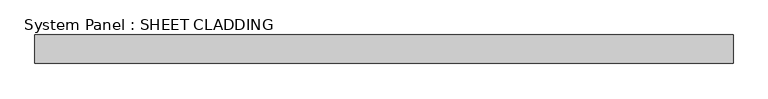
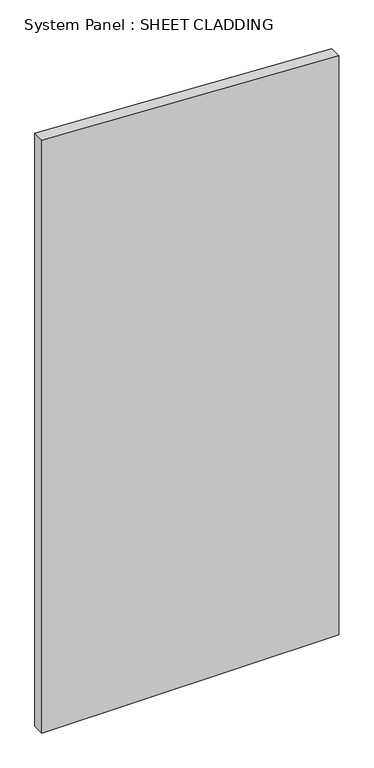
"""IFC4 building model written with IfcOpenShell, lengths in millimetres: plate geometry, System Panel : SHEET CLADDING."""

from ifc_helpers import new_model, si_unit, frame, origin, place, context, project, spatial, polyline, outline, extrude, source, transform, mapped, element, save


def system_panel_sheet_cladding_bf7185a6(model_context):
    return source(origin(), model_context, "Body", "SweptSolid", [
        extrude(outline(polyline([(0.0, -735.4591838), (0.0, 735.4591838), (3031.35, 735.4591838), (3104.8959184, -735.4591838), (0.0, -735.4591838)])), frame((0.0, -10.5, 0.0), z_axis=(0.0, 1.0, 0.0), x_axis=(0.0, 0.0, 1.0)), (0.0, 0.0, 1.0), 60.0),
    ])


if __name__ == "__main__":
    model = new_model("IFC4")
    model_context = context("Model", 3, world=origin())
    ifc_project = project(units=[si_unit("LENGTHUNIT", "METRE", prefix="MILLI")], contexts=[model_context])
    site = spatial("IfcSite", under=ifc_project)
    building = spatial("IfcBuilding", under=site)
    placement = place(None, origin())
    system_panel_sheet_cladding_shape = system_panel_sheet_cladding_bf7185a6(model_context)
    element("IfcPlate", 1, ObjectType="System Panel : SHEET CLADDING", at=placement, inside=building, context=model_context, shape_type="MappedRepresentation", body=[
        mapped(system_panel_sheet_cladding_shape, transform((0.0, 0.0, 0.0), x_axis=(1.0, 0.0, 0.0), y_axis=(0.0, 1.0, 0.0), z_axis=(0.0, 0.0, 1.0))),
    ])
    save(model, "model.ifc")
